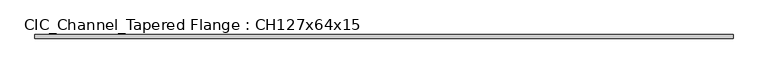
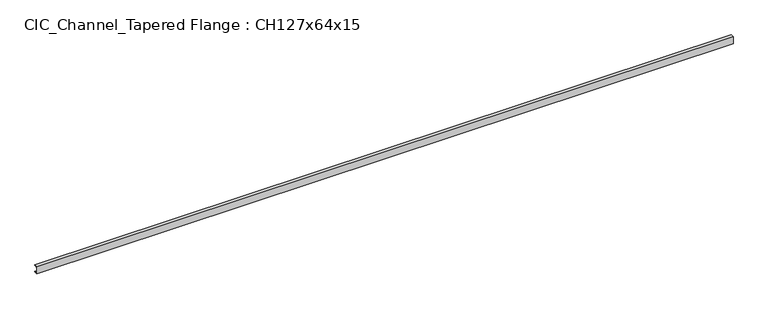
"""IFC4 building model written with IfcOpenShell, lengths in millimetres: beam geometry, CIC_Channel_Tapered Flange : CH127x64x15."""

import ifcopenshell
import ifcopenshell.guid

model = None  # the IFC model being written
_history = None  # IfcOwnerHistory: only IFC2X3 demands one
_inside = {}  # id of a spatial element -> (the spatial element, [elements in it])
_under = {}  # id of a project, library or spatial element -> (it, [spatial elements below it])
_declared = {}  # id of a project -> (the project, [libraries it declares])
_typed = {}  # id of a type object -> (the type object, [elements of that type])
_made_of = {}  # id of a material, layer set ... -> (it, [elements and type objects made of it])


def new_model(schema):
    """Start an empty IFC model of exactly this schema.

    Asked for "IFC4X3", IfcOpenShell would pick the latest addendum, in which some entities
    have other attributes; the version numbers below select the first issue.
    IFC2X3 requires an IfcOwnerHistory on every rooted entity: one is made here for all.
    """
    global model, _history
    if schema == "IFC4X3":
        model = ifcopenshell.file(schema_version=(4, 3, 0, 0))
    else:
        model = ifcopenshell.file(schema=schema)
    _inside.clear()
    _under.clear()
    _declared.clear()
    _typed.clear()
    _made_of.clear()
    _history = None
    if model.schema == "IFC2X3":
        org = make("IfcOrganization", Name="unknown")
        user = make(
            "IfcPersonAndOrganization",
            ThePerson=make("IfcPerson", FamilyName="unknown"),
            TheOrganization=org,
        )
        app = make(
            "IfcApplication",
            ApplicationDeveloper=org,
            Version="unknown",
            ApplicationFullName="unknown",
            ApplicationIdentifier="unknown",
        )
        _history = make(
            "IfcOwnerHistory",
            OwningUser=user,
            OwningApplication=app,
            ChangeAction="ADDED",
            CreationDate=0,
        )
    return model


def make(cls, **values):
    """One entity of the class cls with the attributes given. An attribute that is None is left unset."""
    return model.create_entity(
        cls, **{name: value for name, value in values.items() if value is not None}
    )


def rooted(cls, **values):
    """An entity with a GlobalId (a new one), such as an element, a storey or a relation."""
    return make(cls, GlobalId=ifcopenshell.guid.new(), OwnerHistory=_history, **values)


def si_unit(unit_type, name, prefix=None):
    """IfcSIUnit, for example si_unit("LENGTHUNIT", "METRE", prefix="MILLI")."""
    return make("IfcSIUnit", UnitType=unit_type, Prefix=prefix, Name=name)


def assignment(units):
    """IfcUnitAssignment: the units of a project."""
    return None if units is None else make("IfcUnitAssignment", Units=units)


def point(xyz):
    """IfcCartesianPoint."""
    return None if xyz is None else make("IfcCartesianPoint", Coordinates=xyz)


def direction(xyz):
    """IfcDirection."""
    return None if xyz is None else make("IfcDirection", DirectionRatios=xyz)


def frame(location, z_axis=None, x_axis=None):
    """IfcAxis2Placement3D, a coordinate frame: its origin and axes. An axis left out is left unset."""
    return make(
        "IfcAxis2Placement3D",
        Location=point(location),
        Axis=direction(z_axis),
        RefDirection=direction(x_axis),
    )


def frame_2d(location, x_axis=None):
    """IfcAxis2Placement2D, a coordinate frame in the plane: its origin and x axis."""
    return make(
        "IfcAxis2Placement2D", Location=point(location), RefDirection=direction(x_axis)
    )


def origin():
    """The frame at (0, 0, 0) with its axes left unset."""
    return frame((0.0, 0.0, 0.0))


def place(relative_to, where):
    """IfcLocalPlacement: puts the frame where relative to a parent placement (None: the world)."""
    return make(
        "IfcLocalPlacement", PlacementRelTo=relative_to, RelativePlacement=where
    )


def context(
    kind, dimensions, precision=None, world=None, true_north=None, identifier=None
):
    """IfcGeometricRepresentationContext, for example the 3D "Model" context."""
    return make(
        "IfcGeometricRepresentationContext",
        ContextIdentifier=identifier,
        ContextType=kind,
        CoordinateSpaceDimension=dimensions,
        Precision=precision,
        WorldCoordinateSystem=world,
        TrueNorth=true_north,
    )


def project(units=None, contexts=None):
    """IfcProject with its units and contexts."""
    return rooted(
        "IfcProject",
        Name="project",
        RepresentationContexts=contexts,
        UnitsInContext=assignment(units),
    )


def spatial(cls, under=None, at=None, **own):
    """A site, building, storey or space (cls), placed at a placement, below another one or the project."""
    s = rooted(cls, ObjectPlacement=at, **own)
    if under is not None:
        _under.setdefault(under.id(), (under, []))[1].append(s)
    return s


def polyline(points):
    """IfcPolyline through the points."""
    return make("IfcPolyline", Points=[point(p) for p in points])


def circle_curve(where, radius):
    """IfcCircle in the frame where."""
    return make("IfcCircle", Position=where, Radius=radius)


def trimmed(basis, trim1, trim2, sense, master):
    """IfcTrimmedCurve: the piece of a basis curve between two trims."""
    return make(
        "IfcTrimmedCurve",
        BasisCurve=basis,
        Trim1=trim1,
        Trim2=trim2,
        SenseAgreement=sense,
        MasterRepresentation=master,
    )


def segment(curve, same_sense, transition):
    """IfcCompositeCurveSegment."""
    return make(
        "IfcCompositeCurveSegment",
        Transition=transition,
        SameSense=same_sense,
        ParentCurve=curve,
    )


def composite_curve(segments, self_intersect=None):
    """IfcCompositeCurve: segments joined end to end."""
    return make("IfcCompositeCurve", Segments=segments, SelfIntersect=self_intersect)


def outline(outer, holes=None, kind="AREA"):
    """IfcArbitraryClosedProfileDef: a profile drawn as a closed curve; with holes, ...WithVoids."""
    if holes is None:
        return make("IfcArbitraryClosedProfileDef", ProfileType=kind, OuterCurve=outer)
    return make(
        "IfcArbitraryProfileDefWithVoids",
        ProfileType=kind,
        OuterCurve=outer,
        InnerCurves=holes,
    )


def extrude(swept, where, along, depth):
    """IfcExtrudedAreaSolid: the profile swept, set in the frame where, extruded along a direction by depth."""
    return make(
        "IfcExtrudedAreaSolid",
        SweptArea=swept,
        Position=where,
        ExtrudedDirection=direction(along),
        Depth=depth,
    )


def shape(context_of_items, identifier, shape_type, items):
    """IfcShapeRepresentation: the items that make up one representation, for example the "Body"."""
    return make(
        "IfcShapeRepresentation",
        ContextOfItems=context_of_items,
        RepresentationIdentifier=identifier,
        RepresentationType=shape_type,
        Items=items,
    )


def source(mapping_origin, context_of_items, identifier, shape_type, items):
    """IfcRepresentationMap: a shape defined once, which mapped items show again and again."""
    return make(
        "IfcRepresentationMap",
        MappingOrigin=mapping_origin,
        MappedRepresentation=shape(context_of_items, identifier, shape_type, items),
    )


def transform(
    local_origin,
    x_axis=None,
    y_axis=None,
    z_axis=None,
    scale=None,
    scale2=None,
    scale3=None,
    uniform=True,
):
    """IfcCartesianTransformationOperator3D, or its non-uniform kind. x_axis, y_axis, z_axis: its Axis1, 2, 3."""
    if uniform:
        return make(
            "IfcCartesianTransformationOperator3D",
            Axis1=direction(x_axis),
            Axis2=direction(y_axis),
            LocalOrigin=point(local_origin),
            Scale=scale,
            Axis3=direction(z_axis),
        )
    return make(
        "IfcCartesianTransformationOperator3DnonUniform",
        Axis1=direction(x_axis),
        Axis2=direction(y_axis),
        LocalOrigin=point(local_origin),
        Scale=scale,
        Axis3=direction(z_axis),
        Scale2=scale2,
        Scale3=scale3,
    )


def mapped(mapping_source, mapping_target):
    """IfcMappedItem: shows the shape of a source again, moved by a transform."""
    return make(
        "IfcMappedItem", MappingSource=mapping_source, MappingTarget=mapping_target
    )


def made_of(thing, what):
    """Note that an element or type object is made of a material, layer set ...; save() writes the relation."""
    if what is not None:
        _made_of.setdefault(what.id(), (what, []))[1].append(thing)
    return thing


def element(
    cls,
    number,
    at=None,
    inside=None,
    cuts=None,
    type_object=None,
    material=None,
    context=None,
    identifier="Body",
    shape_type=None,
    held_by="IfcProductDefinitionShape",
    body=None,
    shapes=None,
    **own,
):
    """One element of the class cls, such as IfcWall. Its Tag is "e" and its number.

    at: its placement. inside: the storey or other place that contains it. cuts: it is an
    opening in that element (IfcRelVoidsElement). A single representation is given by context,
    identifier, shape_type and body (its items); several are given by shapes. held_by: the class
    of the entity that holds the representations. save() writes the other relations.
    """
    e = rooted(cls, Tag="e%d" % number, ObjectPlacement=at, **own)
    if body is not None:
        shapes = [shape(context, identifier, shape_type, body)]
    if shapes is not None:
        e.Representation = make(held_by, Representations=shapes)
    if inside is not None:
        _inside.setdefault(inside.id(), (inside, []))[1].append(e)
    if cuts is not None:
        rooted(
            "IfcRelVoidsElement", RelatingBuildingElement=cuts, RelatedOpeningElement=e
        )
    if type_object is not None:
        _typed.setdefault(type_object.id(), (type_object, []))[1].append(e)
    return made_of(e, material)


def aggregate(whole, parts):
    """IfcRelAggregates: a whole, such as a stair, and the parts it consists of."""
    return rooted("IfcRelAggregates", RelatingObject=whole, RelatedObjects=parts)


def save(model, path):
    """Write the relations noted so far, then the file.

    IfcRelAggregates (storeys below a building ...), IfcRelContainedInSpatialStructure (elements
    in a storey), IfcRelDefinesByType, IfcRelAssociatesMaterial and IfcRelDeclares: one each for
    every whole, place, type object, material and project.
    """
    for whole, parts in _under.values():
        aggregate(whole, parts)
    for where, things in _inside.values():
        rooted(
            "IfcRelContainedInSpatialStructure",
            RelatedElements=things,
            RelatingStructure=where,
        )
    for kind, things in _typed.values():
        rooted("IfcRelDefinesByType", RelatedObjects=things, RelatingType=kind)
    for what, things in _made_of.values():
        rooted("IfcRelAssociatesMaterial", RelatedObjects=things, RelatingMaterial=what)
    for by, libraries in _declared.values():
        rooted("IfcRelDeclares", RelatingContext=by, RelatedDefinitions=libraries)
    model.write(path)


def cic_channel_tapered_flange_ch127x64x15_3df1dbdf(model_context):
    return source(origin(), model_context, "Body", "SweptSolid", [
        extrude(outline(composite_curve([segment(polyline([(-19.4, 63.5), (44.1, 63.5)]), True, "CONTINUOUS"), segment(trimmed(circle_curve(frame_2d((34.9, 63.5)), 9.2), [point((44.1, 63.5))], [point((34.9, 54.3))], False, "CARTESIAN"), True, "CONTINUOUS"), segment(polyline([(34.9, 54.3), (-13.0, 46.7133853), (-13.0, -46.7133853), (34.9, -54.3)]), True, "CONTINUOUS"), segment(trimmed(circle_curve(frame_2d((34.9, -63.5)), 9.2), [point((34.9, -54.3))], [point((44.1, -63.5))], False, "CARTESIAN"), True, "CONTINUOUS"), segment(polyline([(44.1, -63.5), (-19.4, -63.5), (-19.4, 63.5)]), True, "CONTINUOUS")], self_intersect=False)), frame((-6159.4, 0.0, 0.0), z_axis=(1.0, 0.0, 0.0), x_axis=(0.0, 1.0, 0.0)), (0.0, 0.0, 1.0), 12331.5),
    ])


if __name__ == "__main__":
    model = new_model("IFC4")
    model_context = context("Model", 3, world=origin())
    ifc_project = project(units=[si_unit("LENGTHUNIT", "METRE", prefix="MILLI")], contexts=[model_context])
    site = spatial("IfcSite", under=ifc_project)
    building = spatial("IfcBuilding", under=site)
    placement = place(None, origin())
    cic_channel_tapered_flange_ch127x64x15_shape = cic_channel_tapered_flange_ch127x64x15_3df1dbdf(model_context)
    element("IfcBeam", 1, ObjectType="CIC_Channel_Tapered Flange : CH127x64x15", at=placement, inside=building, context=model_context, shape_type="MappedRepresentation", body=[
        mapped(cic_channel_tapered_flange_ch127x64x15_shape, transform((0.0, 0.0, 0.0), x_axis=(1.0, 0.0, 0.0), y_axis=(0.0, 1.0, 0.0), z_axis=(0.0, 0.0, 1.0))),
    ])
    save(model, "model.ifc")
